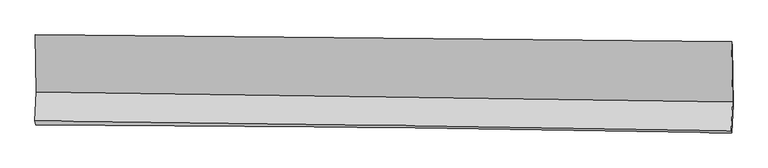
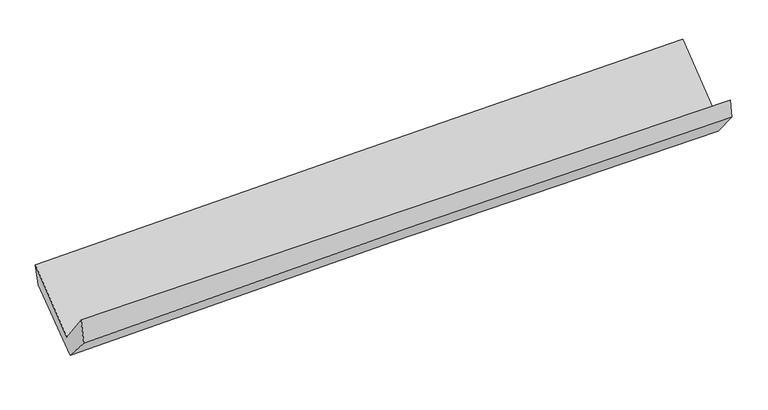
"""IFC4 building model written with IfcOpenShell, lengths in millimetres: proxy geometry."""

from ifc_helpers import new_model, si_unit, frame, origin, place, context, project, spatial, source, transform, mapped, element, save
from ifc_brep_helpers import plane_surface, spline_curve, spline_surface, advanced_brep


def generic_models_e0482f8f(model_context):
    return source(origin(), model_context, "Body", "AdvancedBrep", [
        advanced_brep(
        [(-3032.4755943, -1180.8967724, 2147.4590621), (-3024.183124, -1679.9249443, 1725.2964511), (3018.330222, -1767.3157792, 1868.6446771), (3009.607929, -1242.4215331, 2312.6891978), (-3036.3974524, -1932.0802251, 2056.0605442), (3006.8218301, -2015.8971038, 2177.0489824), (-3030.1975891, -1963.3669322, 1841.2078846), (3011.5116047, -2035.5084571, 2015.7230888), (-3020.1145908, -1725.596688, 1576.8915683), (3022.3584369, -1791.7793354, 1727.8298746), (-3027.5171182, -1220.4300586, 1971.3476261), (3014.5511288, -1274.3840704, 2139.3165231)],
        [
            (0, 1),
            (1, 2, spline_curve(3, [(-3024.183124, -1679.9249443, 1725.2964511), (-2017.148991164, -1692.973414015, 1751.668081398), (-1010.094079656, -1706.780139644, 1776.79947709), (1004.077035183, -1735.910388346, 1824.58226764), (2011.193238521, -1751.23394075, 1847.23361404), (3018.330222, -1767.3157792, 1868.6446771)], [4, 2, 4], [0.0, 9.915802593027998, 19.831799479111673])),
            (2, 3),
            (3, 0, spline_curve(3, [(3009.607929, -1242.4215331, 2312.6891978), (2002.544613776, -1230.77294019, 2287.527744409), (995.501063264, -1219.821537091, 2261.177693039), (-1018.52677674, -1199.313310629, 2206.10093455), (-2025.511067424, -1189.756460377, 2177.374274015), (-3032.4755943, -1180.8967724, 2147.4590621)], [4, 2, 4], [0.0, 9.915996886083676, 19.831799479111673])),
            (1, 4),
            (4, 5, spline_curve(3, [(-3036.3974524, -1932.0802251, 2056.0605442), (-2029.130920296, -1943.898288825, 2075.087045155), (-1021.900980908, -1956.791981603, 2094.682561164), (992.505448141, -1984.730898716, 2135.012018345), (1999.681936242, -1999.776165619, 2155.745981728), (3006.8218301, -2015.8971038, 2177.0489824)], [4, 2, 4], [0.0, 9.916110996835306, 19.83241629276924])),
            (5, 2),
            (4, 6),
            (6, 7, spline_curve(3, [(-3030.1975891, -1963.3669322, 1841.2078846), (-2023.354864311, -1966.01448616, 1876.994390698), (-1016.462668856, -1973.349951993, 1909.430467866), (997.440393958, -1997.396943396, 1967.602333847), (2004.451263084, -2014.108652495, 1993.337991439), (3011.5116047, -2035.5084571, 2015.7230888)], [4, 2, 4], [0.0, 9.915928719171307, 19.83205173386964])),
            (7, 5),
            (6, 8),
            (8, 9, spline_curve(3, [(-3020.1145908, -1725.596688, 1576.8915683), (-2013.197950343, -1732.185596322, 1609.064504134), (-1006.205145047, -1740.995195497, 1637.729075459), (1007.952527843, -1763.055990833, 1688.041981459), (2015.117398507, -1776.30727443, 1709.690179093), (3022.3584369, -1791.7793354, 1727.8298746)], [4, 2, 4], [0.0, 9.915849284812026, 19.83189286359462])),
            (9, 7),
            (8, 10),
            (10, 11, spline_curve(3, [(-3027.5171182, -1220.4300586, 1971.3476261), (-2020.587829039, -1233.8673825, 2001.081908909), (-1013.622430282, -1245.082189694, 2029.946329687), (1000.400317356, -1263.066947704, 2085.935996246), (2007.457667586, -1269.836810648, 2113.061207483), (3014.5511288, -1274.3840704, 2139.3165231)], [4, 2, 4], [0.0, 9.91573213250947, 19.831658556693995])),
            (11, 9),
            (10, 0),
            (3, 11),
        ],
        [
            spline_surface(3, 3, [[(-3032.4755943, -1180.8967724, 2147.4590621), (-2025.511067544, -1189.756460402, 2177.374273897), (-1018.526776894, -1199.313310731, 2206.100934561), (995.501063418, -1219.821536989, 2261.177693028), (2002.544613894, -1230.772940202, 2287.527744286), (3009.607929, -1242.4215331, 2312.6891978)], [(-3029.711437545, -1347.239496372, 2006.738191771), (-2022.723708794, -1357.495444942, 2035.472209719), (-1015.715877746, -1368.468920376, 2063.000448757), (998.359720634, -1391.851154078, 2115.645884596), (2005.427488794, -1404.259940426, 2140.763034178), (3012.515359998, -1417.386281797, 2164.674357562)], [(-3026.947280755, -1513.582220328, 1866.017321429), (-2019.936350009, -1525.234429466, 1893.570145529), (-1012.904978642, -1537.624530055, 1919.899962878), (1001.218377805, -1563.880771201, 1970.114076089), (2008.310363699, -1577.746940661, 1993.998324084), (3015.422791002, -1592.351030503, 2016.659517338)], [(-3024.183124, -1679.9249443, 1725.2964511), (-2017.148991258, -1692.973414006, 1751.668081352), (-1010.094079494, -1706.780139701, 1776.799477073), (1004.077035021, -1735.91038829, 1824.582267657), (2011.193238598, -1751.233940886, 1847.233613975), (3018.330222, -1767.3157792, 1868.6446771)]], [4, 4], [4, 2, 4], [0.0, 2.1994682694052363], [0.0, 9.915802593027998, 19.831799479111673]),
            spline_surface(3, 3, [[(-3024.183124, -1679.9249443, 1725.2964511), (-2017.148991258, -1692.973414006, 1751.668081352), (-1010.094079494, -1706.780139701, 1776.799477073), (1004.077035021, -1735.91038829, 1824.582267657), (2011.193238598, -1751.233940886, 1847.233613975), (3018.330222, -1767.3157792, 1868.6446771)], [(-3028.254566784, -1763.976704563, 1835.551148803), (-2021.142967606, -1776.615038916, 1859.474402622), (-1014.029713281, -1790.117420311, 1882.760505089), (1000.219839369, -1818.850558512, 1928.058851176), (2007.35613777, -1834.081349167, 1950.071069888), (3014.494091371, -1850.176220737, 1971.446112218)], [(-3032.326009616, -1848.028464837, 1945.805846497), (-2025.136944, -1860.256663837, 1967.280723884), (-1017.965347056, -1873.454700837, 1988.721533191), (996.362643728, -1901.79072865, 2031.535434784), (2003.51903693, -1916.928757437, 2052.908525746), (3010.657960729, -1933.036662263, 2074.247547282)], [(-3036.3974524, -1932.0802251, 2056.0605442), (-2029.130920347, -1943.898288748, 2075.087045154), (-1021.900980843, -1956.791981447, 2094.682561207), (992.505448076, -1984.730898872, 2135.012018303), (1999.681936102, -1999.776165718, 2155.745981659), (3006.8218301, -2015.8971038, 2177.0489824)]], [4, 4], [4, 2, 4], [0.0, 1.316591158175839], [0.0, 9.916110996835306, 19.83241629276924]),
            spline_surface(3, 3, [[(-3036.3974524, -1932.0802251, 2056.0605442), (-2029.130920347, -1943.898288748, 2075.087045154), (-1021.900980843, -1956.791981447, 2094.682561207), (992.505448076, -1984.730898872, 2135.012018303), (1999.681936102, -1999.776165718, 2155.745981659), (3006.8218301, -2015.8971038, 2177.0489824)], [(-3034.330831304, -1942.509127464, 1984.442991001), (-2027.205568342, -1951.270354557, 2009.056160353), (-1020.088210163, -1962.311304974, 2032.931863447), (994.150429996, -1988.952913674, 2079.20879018), (2001.271711712, -2004.553661264, 2101.609984933), (3008.385088291, -2022.434221551, 2123.273684513)], [(-3032.264210196, -1952.938029836, 1912.825437799), (-2025.280216326, -1958.642420374, 1943.025275549), (-1018.275439449, -1967.830628542, 1971.181165612), (995.795411951, -1993.174928517, 2023.405561983), (2002.86148735, -2009.331156857, 2047.473988266), (3009.948346509, -2028.971339349, 2069.498386687)], [(-3030.1975891, -1963.3669322, 1841.2078846), (-2023.354864322, -1966.014486183, 1876.994390747), (-1016.46266877, -1973.34995207, 1909.430467852), (997.440393871, -1997.39694332, 1967.60233386), (2004.45126296, -2014.108652404, 1993.337991539), (3011.5116047, -2035.5084571, 2015.7230888)]], [4, 4], [4, 2, 4], [0.0, 0.5807450963613009], [0.0, 9.915928719171307, 19.83205173386964]),
            spline_surface(3, 3, [[(-3030.1975891, -1963.3669322, 1841.2078846), (-2023.354864322, -1966.014486183, 1876.994390747), (-1016.46266877, -1973.34995207, 1909.430467852), (997.440393871, -1997.39694332, 1967.60233386), (2004.45126296, -2014.108652404, 1993.337991539), (3011.5116047, -2035.5084571, 2015.7230888)], [(-3026.836589666, -1884.11018415, 1753.10244582), (-2019.969226323, -1888.071522946, 1787.684428522), (-1013.043494173, -1895.898366543, 1818.863337008), (1000.944438557, -1919.283292521, 1874.415549761), (2008.006641488, -1934.841526394, 1898.788720742), (3015.12721545, -1954.265416546, 1919.758684067)], [(-3023.475590234, -1804.85343605, 1664.99700708), (-2016.583588326, -1810.12855966, 1698.374466339), (-1009.624319654, -1818.446780975, 1728.296206181), (1004.448483167, -1841.169641681, 1781.228765681), (2011.562019965, -1855.574400345, 1804.239449944), (3018.74282615, -1873.022375954, 1823.794279333)], [(-3020.1145908, -1725.596688, 1576.8915683), (-2013.197950327, -1732.185596423, 1609.064504114), (-1006.205145057, -1740.995195448, 1637.729075336), (1007.952527853, -1763.055990883, 1688.041981581), (2015.117398493, -1776.307274335, 1709.690179147), (3022.3584369, -1791.7793354, 1727.8298746)]], [4, 4], [4, 2, 4], [0.0, 1.1853393276483697], [0.0, 9.915849284812026, 19.83189286359462]),
            spline_surface(3, 3, [[(-3020.1145908, -1725.596688, 1576.8915683), (-2013.197950327, -1732.185596423, 1609.064504114), (-1006.205145057, -1740.995195448, 1637.729075336), (1007.952527853, -1763.055990883, 1688.041981581), (2015.117398493, -1776.307274335, 1709.690179147), (3022.3584369, -1791.7793354, 1727.8298746)], [(-3022.582099949, -1557.207811506, 1708.376920916), (-2015.661243199, -1566.079525088, 1739.736972385), (-1008.677573456, -1575.690860211, 1768.468160149), (1005.435124352, -1596.392976409, 1820.673319786), (2012.564154892, -1607.483786485, 1844.147188668), (3019.756000873, -1619.314247071, 1864.992090791)], [(-3025.049609051, -1388.818935094, 1839.862273484), (-2018.124536023, -1399.973453836, 1870.409440609), (-1011.150001866, -1410.386525073, 1899.207244944), (1002.91772084, -1429.729962035, 1953.304657972), (2010.010911272, -1438.660298622, 1978.604198117), (3017.153564827, -1446.849158729, 2002.154306909)], [(-3027.5171182, -1220.4300586, 1971.3476261), (-2020.587828895, -1233.8673825, 2001.08190888), (-1013.622430264, -1245.082189836, 2029.946329757), (1000.400317338, -1263.066947561, 2085.935996177), (2007.457667672, -1269.836810772, 2113.061207638), (3014.5511288, -1274.3840704, 2139.3165231)]], [4, 4], [4, 2, 4], [0.0, 2.085541646942434], [0.0, 9.91573213250947, 19.831658556693995]),
            spline_surface(3, 3, [[(-3027.5171182, -1220.4300586, 1971.3476261), (-2020.587828895, -1233.8673825, 2001.08190888), (-1013.622430264, -1245.082189836, 2029.946329757), (1000.400317338, -1263.066947561, 2085.935996177), (2007.457667672, -1269.836810772, 2113.061207638), (3014.5511288, -1274.3840704, 2139.3165231)], [(-3029.169943552, -1207.252296546, 2030.05143809), (-2022.22890843, -1219.163741813, 2059.846030543), (-1015.257212503, -1229.825896817, 2088.664531338), (998.76723267, -1248.65181072, 2144.349895107), (2005.819983063, -1256.81552058, 2171.216719835), (3012.903395517, -1263.729891299, 2197.107414648)], [(-3030.822768948, -1194.074534454, 2088.75525011), (-2023.869988009, -1204.460101089, 2118.610152235), (-1016.891994656, -1214.56960375, 2147.38273298), (997.134148087, -1234.236673831, 2202.763794098), (2004.182298503, -1243.794230393, 2229.372232089), (3011.255662283, -1253.075712201, 2254.898306252)], [(-3032.4755943, -1180.8967724, 2147.4590621), (-2025.511067544, -1189.756460402, 2177.374273897), (-1018.526776894, -1199.313310731, 2206.100934561), (995.501063418, -1219.821536989, 2261.177693028), (2002.544613894, -1230.772940202, 2287.527744286), (3009.607929, -1242.4215331, 2312.6891978)]], [4, 4], [4, 2, 4], [0.0, 0.5948620403069169], [0.0, 9.915672037966027, 19.831538366429598]),
            plane_surface(frame((3013.8635253, -1687.8843799, 2040.208724), z_axis=(0.9995063187039104, -0.008885049311434426, 0.030135938175053056), x_axis=(-0.0118092090887265, 0.7826037864637966, 0.6224081104815611))),
            plane_surface(frame((-3028.4809114, -1617.0492701, 1886.3771894), z_axis=(-0.9995063187036808, 0.00888504931750143, -0.030135938180885464), x_axis=(0.027461319613596023, -0.21894553774820288, -0.9753505664248268))),
        ],
        [
            (0, [[1, 2, 3, 4]]),
            (1, [[5, 6, 7, -2]]),
            (2, [[8, 9, 10, -6]]),
            (3, [[11, 12, 13, -9]]),
            (4, [[14, 15, 16, -12]]),
            (5, [[17, -4, 18, -15]]),
            (6, [[-16, -18, -3, -7, -10, -13]]),
            (7, [[-17, -14, -11, -8, -5, -1]]),
        ],
    ),
    ])


if __name__ == "__main__":
    model = new_model("IFC4")
    model_context = context("Model", 3, world=origin())
    ifc_project = project(units=[si_unit("LENGTHUNIT", "METRE", prefix="MILLI")], contexts=[model_context])
    site = spatial("IfcSite", under=ifc_project)
    building = spatial("IfcBuilding", under=site)
    placement = place(None, origin())
    generic_models_shape = generic_models_e0482f8f(model_context)
    element("IfcBuildingElementProxy", 1, Name="Generic Models", at=placement, inside=building, context=model_context, shape_type="MappedRepresentation", body=[
        mapped(generic_models_shape, transform((0.0, 0.0, 0.0), x_axis=(1.0, 0.0, 0.0), y_axis=(0.0, 1.0, 0.0), z_axis=(0.0, 0.0, 1.0))),
    ])
    save(model, "model.ifc")
